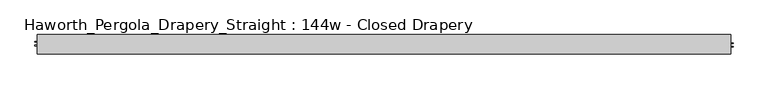
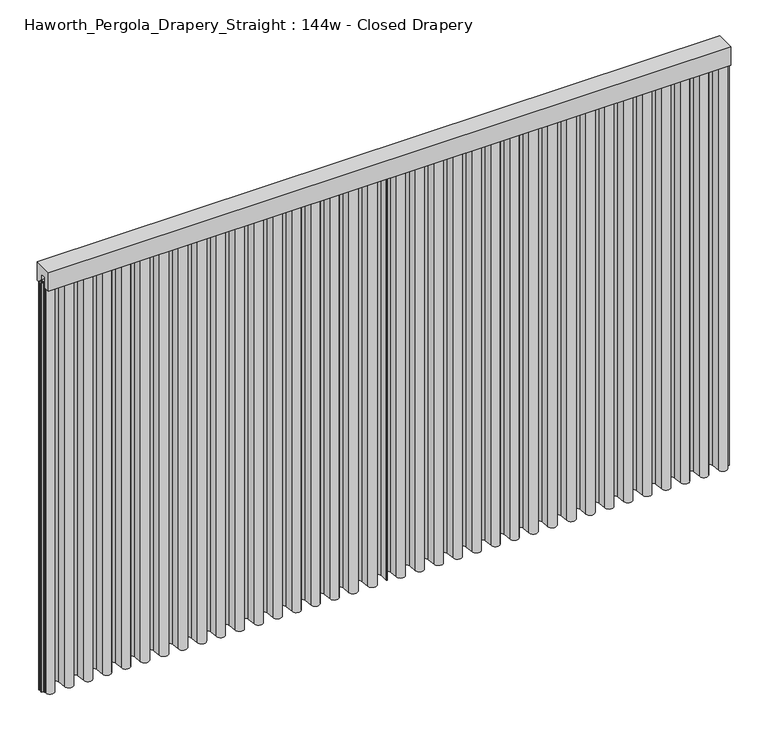
"""IFC4 building model written with IfcOpenShell, lengths in millimetres: furniture geometry, Haworth_Pergola_Drapery_Straight : 144w - Closed Drapery."""

from ifc_helpers import new_model, si_unit, point, frame, frame_2d, origin, place, context, project, spatial, polyline, circle_curve, trimmed, segment, composite_curve, outline, extrude, source, transform, mapped, element, save


def haworth_pergola_drapery_straight_144w_closed_drapery_abc659de(model_context):
    return source(origin(), model_context, "Body", "SweptSolid", [
        extrude(outline(polyline([(-50.8, 2438.4), (50.8, 2438.4), (50.8, 2331.8390625), (15.2182948, 2331.8390625), (15.2182948, 2388.7001663), (-15.2182948, 2388.7001663), (-15.2182948, 2331.8390625), (-50.8, 2331.8390625), (-50.8, 2438.4)])), frame((-1790.7, 0.0, 0.0), z_axis=(1.0, 0.0, 0.0), x_axis=(0.0, 1.0, 0.0)), (0.0, 0.0, 1.0), 3657.6),
        extrude(outline(composite_curve([segment(polyline([(-1788.7, -20.9840165), (-1788.7, 25.4000008), (-1787.90625, 25.4000008), (-1787.90625, -20.9840165)]), True, "CONTINUOUS"), segment(trimmed(circle_curve(frame_2d((-1765.2970217, -20.9840165)), 22.6092283), [point((-1787.90625, -20.9840165))], [point((-1742.779759, -23.0211916))], True, "CARTESIAN"), True, "CONTINUOUS"), segment(polyline([(-1742.779759, -23.0211916), (-1738.5801015, 23.3983779)]), True, "CONTINUOUS"), segment(trimmed(circle_curve(frame_2d((-1714.5, 21.2198101)), 24.17845), [point((-1738.5801015, 23.3983779))], [point((-1690.4198983, 23.3983756))], False, "CARTESIAN"), True, "CONTINUOUS"), segment(polyline([(-1690.4198983, 23.3983756), (-1686.2298605, -22.9149155)]), True, "CONTINUOUS"), segment(trimmed(circle_curve(frame_2d((-1663.7000023, -20.876603)), 22.621875), [point((-1686.2298605, -22.9149155))], [point((-1641.1701443, -22.9149177))], True, "CARTESIAN"), True, "CONTINUOUS"), segment(polyline([(-1641.1701443, -22.9149177), (-1637.0109007, 23.0579488)]), True, "CONTINUOUS"), segment(trimmed(circle_curve(frame_2d((-1612.9, 20.8765946)), 24.209375), [point((-1637.0109007, 23.0579488))], [point((-1588.7890991, 23.0579465))], False, "CARTESIAN"), True, "CONTINUOUS"), segment(polyline([(-1588.7890991, 23.0579465), (-1584.6298605, -22.9149157)]), True, "CONTINUOUS"), segment(trimmed(circle_curve(frame_2d((-1562.1000023, -20.8766032)), 22.621875), [point((-1584.6298605, -22.9149157))], [point((-1539.5701443, -22.9149178))], True, "CARTESIAN"), True, "CONTINUOUS"), segment(polyline([(-1539.5701443, -22.9149178), (-1535.4109007, 23.0579492)]), True, "CONTINUOUS"), segment(trimmed(circle_curve(frame_2d((-1511.3, 20.876595)), 24.209375), [point((-1535.4109007, 23.0579492))], [point((-1487.1890991, 23.0579469))], False, "CARTESIAN"), True, "CONTINUOUS"), segment(polyline([(-1487.1890991, 23.0579469), (-1483.0298605, -22.9149155)]), True, "CONTINUOUS"), segment(trimmed(circle_curve(frame_2d((-1460.5000023, -20.876603)), 22.621875), [point((-1483.0298605, -22.9149155))], [point((-1437.9701443, -22.9149177))], True, "CARTESIAN"), True, "CONTINUOUS"), segment(polyline([(-1437.9701443, -22.9149177), (-1433.7801015, 23.3983779)]), True, "CONTINUOUS"), segment(trimmed(circle_curve(frame_2d((-1409.7, 21.2198101)), 24.17845), [point((-1433.7801015, 23.3983779))], [point((-1385.6198983, 23.3983756))], False, "CARTESIAN"), True, "CONTINUOUS"), segment(polyline([(-1385.6198983, 23.3983756), (-1381.4298605, -22.9149155)]), True, "CONTINUOUS"), segment(trimmed(circle_curve(frame_2d((-1358.9000023, -20.876603)), 22.621875), [point((-1381.4298605, -22.9149155))], [point((-1336.3701443, -22.9149177))], True, "CARTESIAN"), True, "CONTINUOUS"), segment(polyline([(-1336.3701443, -22.9149177), (-1332.1801015, 23.3983779)]), True, "CONTINUOUS"), segment(trimmed(circle_curve(frame_2d((-1308.1, 21.2198101)), 24.17845), [point((-1332.1801015, 23.3983779))], [point((-1284.0198983, 23.3983756))], False, "CARTESIAN"), True, "CONTINUOUS"), segment(polyline([(-1284.0198983, 23.3983756), (-1279.8298605, -22.9149155)]), True, "CONTINUOUS"), segment(trimmed(circle_curve(frame_2d((-1257.3000023, -20.876603)), 22.621875), [point((-1279.8298605, -22.9149155))], [point((-1234.7701443, -22.9149177))], True, "CARTESIAN"), True, "CONTINUOUS"), segment(polyline([(-1234.7701443, -22.9149177), (-1230.5801015, 23.3983779)]), True, "CONTINUOUS"), segment(trimmed(circle_curve(frame_2d((-1206.5, 21.2198101)), 24.17845), [point((-1230.5801015, 23.3983779))], [point((-1182.4198983, 23.3983756))], False, "CARTESIAN"), True, "CONTINUOUS"), segment(polyline([(-1182.4198983, 23.3983756), (-1178.2298605, -22.9149155)]), True, "CONTINUOUS"), segment(trimmed(circle_curve(frame_2d((-1155.7000023, -20.876603)), 22.621875), [point((-1178.2298605, -22.9149155))], [point((-1133.1701443, -22.9149177))], True, "CARTESIAN"), True, "CONTINUOUS"), segment(polyline([(-1133.1701443, -22.9149177), (-1128.9801015, 23.3983779)]), True, "CONTINUOUS"), segment(trimmed(circle_curve(frame_2d((-1104.9, 21.2198101)), 24.17845), [point((-1128.9801015, 23.3983779))], [point((-1080.8198983, 23.3983756))], False, "CARTESIAN"), True, "CONTINUOUS"), segment(polyline([(-1080.8198983, 23.3983756), (-1076.6298605, -22.9149155)]), True, "CONTINUOUS"), segment(trimmed(circle_curve(frame_2d((-1054.1000023, -20.876603)), 22.621875), [point((-1076.6298605, -22.9149155))], [point((-1031.5701443, -22.9149177))], True, "CARTESIAN"), True, "CONTINUOUS"), segment(polyline([(-1031.5701443, -22.9149177), (-1027.3801015, 23.3983779)]), True, "CONTINUOUS"), segment(trimmed(circle_curve(frame_2d((-1003.3, 21.2198101)), 24.17845), [point((-1027.3801015, 23.3983779))], [point((-979.2198983, 23.3983756))], False, "CARTESIAN"), True, "CONTINUOUS"), segment(polyline([(-979.2198983, 23.3983756), (-975.0298605, -22.9149155)]), True, "CONTINUOUS"), segment(trimmed(circle_curve(frame_2d((-952.5000023, -20.876603)), 22.621875), [point((-975.0298605, -22.9149155))], [point((-929.9701443, -22.9149177))], True, "CARTESIAN"), True, "CONTINUOUS"), segment(polyline([(-929.9701443, -22.9149177), (-925.7801015, 23.3983779)]), True, "CONTINUOUS"), segment(trimmed(circle_curve(frame_2d((-901.7, 21.2198101)), 24.17845), [point((-925.7801015, 23.3983779))], [point((-877.6198983, 23.3983756))], False, "CARTESIAN"), True, "CONTINUOUS"), segment(polyline([(-877.6198983, 23.3983756), (-873.4298605, -22.9149155)]), True, "CONTINUOUS"), segment(trimmed(circle_curve(frame_2d((-850.9000023, -20.876603)), 22.621875), [point((-873.4298605, -22.9149155))], [point((-828.3701443, -22.9149177))], True, "CARTESIAN"), True, "CONTINUOUS"), segment(polyline([(-828.3701443, -22.9149177), (-824.1801015, 23.3983779)]), True, "CONTINUOUS"), segment(trimmed(circle_curve(frame_2d((-800.1, 21.2198101)), 24.17845), [point((-824.1801015, 23.3983779))], [point((-776.0198983, 23.3983756))], False, "CARTESIAN"), True, "CONTINUOUS"), segment(polyline([(-776.0198983, 23.3983756), (-771.8298605, -22.9149155)]), True, "CONTINUOUS"), segment(trimmed(circle_curve(frame_2d((-749.3000023, -20.876603)), 22.621875), [point((-771.8298605, -22.9149155))], [point((-726.7701443, -22.9149177))], True, "CARTESIAN"), True, "CONTINUOUS"), segment(polyline([(-726.7701443, -22.9149177), (-722.5801015, 23.3983779)]), True, "CONTINUOUS"), segment(trimmed(circle_curve(frame_2d((-698.5, 21.2198101)), 24.17845), [point((-722.5801015, 23.3983779))], [point((-674.4198983, 23.3983756))], False, "CARTESIAN"), True, "CONTINUOUS"), segment(polyline([(-674.4198983, 23.3983756), (-670.2298605, -22.9149155)]), True, "CONTINUOUS"), segment(trimmed(circle_curve(frame_2d((-647.7000023, -20.876603)), 22.621875), [point((-670.2298605, -22.9149155))], [point((-625.1701443, -22.9149177))], True, "CARTESIAN"), True, "CONTINUOUS"), segment(polyline([(-625.1701443, -22.9149177), (-620.9801015, 23.3983779)]), True, "CONTINUOUS"), segment(trimmed(circle_curve(frame_2d((-596.9, 21.2198101)), 24.17845), [point((-620.9801015, 23.3983779))], [point((-572.8198983, 23.3983756))], False, "CARTESIAN"), True, "CONTINUOUS"), segment(polyline([(-572.8198983, 23.3983756), (-568.6298605, -22.9149155)]), True, "CONTINUOUS"), segment(trimmed(circle_curve(frame_2d((-546.1000023, -20.876603)), 22.621875), [point((-568.6298605, -22.9149155))], [point((-523.5701443, -22.9149177))], True, "CARTESIAN"), True, "CONTINUOUS"), segment(polyline([(-523.5701443, -22.9149177), (-519.3801015, 23.3983779)]), True, "CONTINUOUS"), segment(trimmed(circle_curve(frame_2d((-495.3, 21.2198101)), 24.17845), [point((-519.3801015, 23.3983779))], [point((-471.2198983, 23.3983756))], False, "CARTESIAN"), True, "CONTINUOUS"), segment(polyline([(-471.2198983, 23.3983756), (-467.0298605, -22.9149155)]), True, "CONTINUOUS"), segment(trimmed(circle_curve(frame_2d((-444.5000023, -20.876603)), 22.621875), [point((-467.0298605, -22.9149155))], [point((-421.9701443, -22.9149177))], True, "CARTESIAN"), True, "CONTINUOUS"), segment(polyline([(-421.9701443, -22.9149177), (-417.7801015, 23.3983779)]), True, "CONTINUOUS"), segment(trimmed(circle_curve(frame_2d((-393.7, 21.2198101)), 24.17845), [point((-417.7801015, 23.3983779))], [point((-369.6198983, 23.3983756))], False, "CARTESIAN"), True, "CONTINUOUS"), segment(polyline([(-369.6198983, 23.3983756), (-365.4298605, -22.9149155)]), True, "CONTINUOUS"), segment(trimmed(circle_curve(frame_2d((-342.9000023, -20.876603)), 22.621875), [point((-365.4298605, -22.9149155))], [point((-320.3701443, -22.9149177))], True, "CARTESIAN"), True, "CONTINUOUS"), segment(polyline([(-320.3701443, -22.9149177), (-316.1801015, 23.3983779)]), True, "CONTINUOUS"), segment(trimmed(circle_curve(frame_2d((-292.1, 21.2198101)), 24.17845), [point((-316.1801015, 23.3983779))], [point((-268.0198983, 23.3983756))], False, "CARTESIAN"), True, "CONTINUOUS"), segment(polyline([(-268.0198983, 23.3983756), (-263.8298605, -22.9149155)]), True, "CONTINUOUS"), segment(trimmed(circle_curve(frame_2d((-241.3000023, -20.876603)), 22.621875), [point((-263.8298605, -22.9149155))], [point((-218.7701443, -22.9149177))], True, "CARTESIAN"), True, "CONTINUOUS"), segment(polyline([(-218.7701443, -22.9149177), (-214.5801015, 23.3983779)]), True, "CONTINUOUS"), segment(trimmed(circle_curve(frame_2d((-190.5, 21.2198101)), 24.17845), [point((-214.5801015, 23.3983779))], [point((-166.4198983, 23.3983756))], False, "CARTESIAN"), True, "CONTINUOUS"), segment(polyline([(-166.4198983, 23.3983756), (-162.2298605, -22.9149155)]), True, "CONTINUOUS"), segment(trimmed(circle_curve(frame_2d((-139.7000023, -20.876603)), 22.621875), [point((-162.2298605, -22.9149155))], [point((-117.1701443, -22.9149177))], True, "CARTESIAN"), True, "CONTINUOUS"), segment(polyline([(-117.1701443, -22.9149177), (-112.9801015, 23.3983779)]), True, "CONTINUOUS"), segment(trimmed(circle_curve(frame_2d((-88.9, 21.2198101)), 24.17845), [point((-112.9801015, 23.3983779))], [point((-64.8198983, 23.3983756))], False, "CARTESIAN"), True, "CONTINUOUS"), segment(polyline([(-64.8198983, 23.3983756), (-60.6331594, -22.8784515)]), True, "CONTINUOUS"), segment(trimmed(circle_curve(frame_2d((-38.0999971, -20.8398401)), 22.6251926), [point((-60.6331594, -22.8784515))], [point((-15.566832, -22.8784208))], True, "CARTESIAN"), True, "CONTINUOUS"), segment(polyline([(-15.566832, -22.8784208), (-11.3802755, 23.397093)]), True, "CONTINUOUS"), segment(trimmed(circle_curve(frame_2d((12.6600353, 21.2221604)), 24.1384937), [point((-11.3802755, 23.397093))], [point((36.7985291, 21.2221604))], False, "CARTESIAN"), True, "CONTINUOUS"), segment(polyline([(36.7985291, 21.2221604), (36.7985291, -25.4000007), (36.0047791, -25.4000007), (36.0047791, 21.2221604)]), True, "CONTINUOUS"), segment(trimmed(circle_curve(frame_2d((12.6600353, 21.2221604)), 23.3447437), [point((36.0047791, 21.2221604))], [point((-10.5897541, 23.3255743))], True, "CARTESIAN"), True, "CONTINUOUS"), segment(polyline([(-10.5897541, 23.3255743), (-14.7763106, -22.9499394)]), True, "CONTINUOUS"), segment(trimmed(circle_curve(frame_2d((-38.0999971, -20.8398401)), 23.4189426), [point((-14.7763106, -22.9499394))], [point((-61.4236808, -22.9499712))], False, "CARTESIAN"), True, "CONTINUOUS"), segment(polyline([(-61.4236808, -22.9499712), (-65.6104196, 23.3268558)]), True, "CONTINUOUS"), segment(trimmed(circle_curve(frame_2d((-88.9, 21.2198101)), 23.3847), [point((-65.6104196, 23.3268558))], [point((-112.1895802, 23.3268581))], True, "CARTESIAN"), True, "CONTINUOUS"), segment(polyline([(-112.1895802, 23.3268581), (-116.3796229, -22.9864375)]), True, "CONTINUOUS"), segment(trimmed(circle_curve(frame_2d((-139.7000023, -20.876603)), 23.415625), [point((-116.3796229, -22.9864375))], [point((-163.0203818, -22.9864352))], False, "CARTESIAN"), True, "CONTINUOUS"), segment(polyline([(-163.0203818, -22.9864352), (-167.2104196, 23.3268558)]), True, "CONTINUOUS"), segment(trimmed(circle_curve(frame_2d((-190.5, 21.2198101)), 23.3847), [point((-167.2104196, 23.3268558))], [point((-213.7895802, 23.3268581))], True, "CARTESIAN"), True, "CONTINUOUS"), segment(polyline([(-213.7895802, 23.3268581), (-217.9796229, -22.9864375)]), True, "CONTINUOUS"), segment(trimmed(circle_curve(frame_2d((-241.3000023, -20.876603)), 23.415625), [point((-217.9796229, -22.9864375))], [point((-264.6203818, -22.9864352))], False, "CARTESIAN"), True, "CONTINUOUS"), segment(polyline([(-264.6203818, -22.9864352), (-268.8104196, 23.3268558)]), True, "CONTINUOUS"), segment(trimmed(circle_curve(frame_2d((-292.1, 21.2198101)), 23.3847), [point((-268.8104196, 23.3268558))], [point((-315.3895802, 23.3268581))], True, "CARTESIAN"), True, "CONTINUOUS"), segment(polyline([(-315.3895802, 23.3268581), (-319.5796229, -22.9864375)]), True, "CONTINUOUS"), segment(trimmed(circle_curve(frame_2d((-342.9000023, -20.876603)), 23.415625), [point((-319.5796229, -22.9864375))], [point((-366.2203818, -22.9864352))], False, "CARTESIAN"), True, "CONTINUOUS"), segment(polyline([(-366.2203818, -22.9864352), (-370.4104196, 23.3268558)]), True, "CONTINUOUS"), segment(trimmed(circle_curve(frame_2d((-393.7, 21.2198101)), 23.3847), [point((-370.4104196, 23.3268558))], [point((-416.9895802, 23.3268581))], True, "CARTESIAN"), True, "CONTINUOUS"), segment(polyline([(-416.9895802, 23.3268581), (-421.1796229, -22.9864375)]), True, "CONTINUOUS"), segment(trimmed(circle_curve(frame_2d((-444.5000023, -20.876603)), 23.415625), [point((-421.1796229, -22.9864375))], [point((-467.8203818, -22.9864352))], False, "CARTESIAN"), True, "CONTINUOUS"), segment(polyline([(-467.8203818, -22.9864352), (-472.0104196, 23.3268558)]), True, "CONTINUOUS"), segment(trimmed(circle_curve(frame_2d((-495.3, 21.2198101)), 23.3847), [point((-472.0104196, 23.3268558))], [point((-518.5895802, 23.3268581))], True, "CARTESIAN"), True, "CONTINUOUS"), segment(polyline([(-518.5895802, 23.3268581), (-522.7796229, -22.9864375)]), True, "CONTINUOUS"), segment(trimmed(circle_curve(frame_2d((-546.1000023, -20.876603)), 23.415625), [point((-522.7796229, -22.9864375))], [point((-569.4203818, -22.9864352))], False, "CARTESIAN"), True, "CONTINUOUS"), segment(polyline([(-569.4203818, -22.9864352), (-573.6104196, 23.3268558)]), True, "CONTINUOUS"), segment(trimmed(circle_curve(frame_2d((-596.9, 21.2198101)), 23.3847), [point((-573.6104196, 23.3268558))], [point((-620.1895802, 23.3268581))], True, "CARTESIAN"), True, "CONTINUOUS"), segment(polyline([(-620.1895802, 23.3268581), (-624.3796229, -22.9864375)]), True, "CONTINUOUS"), segment(trimmed(circle_curve(frame_2d((-647.7000023, -20.876603)), 23.415625), [point((-624.3796229, -22.9864375))], [point((-671.0203818, -22.9864352))], False, "CARTESIAN"), True, "CONTINUOUS"), segment(polyline([(-671.0203818, -22.9864352), (-675.2104196, 23.3268558)]), True, "CONTINUOUS"), segment(trimmed(circle_curve(frame_2d((-698.5, 21.2198101)), 23.3847), [point((-675.2104196, 23.3268558))], [point((-721.7895802, 23.3268581))], True, "CARTESIAN"), True, "CONTINUOUS"), segment(polyline([(-721.7895802, 23.3268581), (-725.9796229, -22.9864375)]), True, "CONTINUOUS"), segment(trimmed(circle_curve(frame_2d((-749.3000023, -20.876603)), 23.415625), [point((-725.9796229, -22.9864375))], [point((-772.6203818, -22.9864352))], False, "CARTESIAN"), True, "CONTINUOUS"), segment(polyline([(-772.6203818, -22.9864352), (-776.8104196, 23.3268558)]), True, "CONTINUOUS"), segment(trimmed(circle_curve(frame_2d((-800.1, 21.2198101)), 23.3847), [point((-776.8104196, 23.3268558))], [point((-823.3895802, 23.3268581))], True, "CARTESIAN"), True, "CONTINUOUS"), segment(polyline([(-823.3895802, 23.3268581), (-827.5796229, -22.9864375)]), True, "CONTINUOUS"), segment(trimmed(circle_curve(frame_2d((-850.9000023, -20.876603)), 23.415625), [point((-827.5796229, -22.9864375))], [point((-874.2203818, -22.9864352))], False, "CARTESIAN"), True, "CONTINUOUS"), segment(polyline([(-874.2203818, -22.9864352), (-878.4104196, 23.3268558)]), True, "CONTINUOUS"), segment(trimmed(circle_curve(frame_2d((-901.7, 21.2198101)), 23.3847), [point((-878.4104196, 23.3268558))], [point((-924.9895802, 23.3268581))], True, "CARTESIAN"), True, "CONTINUOUS"), segment(polyline([(-924.9895802, 23.3268581), (-929.1796229, -22.9864375)]), True, "CONTINUOUS"), segment(trimmed(circle_curve(frame_2d((-952.5000023, -20.876603)), 23.415625), [point((-929.1796229, -22.9864375))], [point((-975.8203818, -22.9864352))], False, "CARTESIAN"), True, "CONTINUOUS"), segment(polyline([(-975.8203818, -22.9864352), (-980.0104196, 23.3268558)]), True, "CONTINUOUS"), segment(trimmed(circle_curve(frame_2d((-1003.3, 21.2198101)), 23.3847), [point((-980.0104196, 23.3268558))], [point((-1026.5895802, 23.3268581))], True, "CARTESIAN"), True, "CONTINUOUS"), segment(polyline([(-1026.5895802, 23.3268581), (-1030.7796229, -22.9864375)]), True, "CONTINUOUS"), segment(trimmed(circle_curve(frame_2d((-1054.1000023, -20.876603)), 23.415625), [point((-1030.7796229, -22.9864375))], [point((-1077.4203818, -22.9864352))], False, "CARTESIAN"), True, "CONTINUOUS"), segment(polyline([(-1077.4203818, -22.9864352), (-1081.6104196, 23.3268558)]), True, "CONTINUOUS"), segment(trimmed(circle_curve(frame_2d((-1104.9, 21.2198101)), 23.3847), [point((-1081.6104196, 23.3268558))], [point((-1128.1895802, 23.3268581))], True, "CARTESIAN"), True, "CONTINUOUS"), segment(polyline([(-1128.1895802, 23.3268581), (-1132.3796229, -22.9864375)]), True, "CONTINUOUS"), segment(trimmed(circle_curve(frame_2d((-1155.7000023, -20.876603)), 23.415625), [point((-1132.3796229, -22.9864375))], [point((-1179.0203818, -22.9864352))], False, "CARTESIAN"), True, "CONTINUOUS"), segment(polyline([(-1179.0203818, -22.9864352), (-1183.2104196, 23.3268558)]), True, "CONTINUOUS"), segment(trimmed(circle_curve(frame_2d((-1206.5, 21.2198101)), 23.3847), [point((-1183.2104196, 23.3268558))], [point((-1229.7895802, 23.3268581))], True, "CARTESIAN"), True, "CONTINUOUS"), segment(polyline([(-1229.7895802, 23.3268581), (-1233.9796229, -22.9864375)]), True, "CONTINUOUS"), segment(trimmed(circle_curve(frame_2d((-1257.3000023, -20.876603)), 23.415625), [point((-1233.9796229, -22.9864375))], [point((-1280.6203818, -22.9864352))], False, "CARTESIAN"), True, "CONTINUOUS"), segment(polyline([(-1280.6203818, -22.9864352), (-1284.8104196, 23.3268558)]), True, "CONTINUOUS"), segment(trimmed(circle_curve(frame_2d((-1308.1, 21.2198101)), 23.3847), [point((-1284.8104196, 23.3268558))], [point((-1331.3895802, 23.3268581))], True, "CARTESIAN"), True, "CONTINUOUS"), segment(polyline([(-1331.3895802, 23.3268581), (-1335.5796229, -22.9864375)]), True, "CONTINUOUS"), segment(trimmed(circle_curve(frame_2d((-1358.9000023, -20.876603)), 23.415625), [point((-1335.5796229, -22.9864375))], [point((-1382.2203818, -22.9864352))], False, "CARTESIAN"), True, "CONTINUOUS"), segment(polyline([(-1382.2203818, -22.9864352), (-1386.4104196, 23.3268558)]), True, "CONTINUOUS"), segment(trimmed(circle_curve(frame_2d((-1409.7, 21.2198101)), 23.3847), [point((-1386.4104196, 23.3268558))], [point((-1432.9895802, 23.3268581))], True, "CARTESIAN"), True, "CONTINUOUS"), segment(polyline([(-1432.9895802, 23.3268581), (-1437.1796229, -22.9864375)]), True, "CONTINUOUS"), segment(trimmed(circle_curve(frame_2d((-1460.5000023, -20.876603)), 23.415625), [point((-1437.1796229, -22.9864375))], [point((-1483.8203818, -22.9864352))], False, "CARTESIAN"), True, "CONTINUOUS"), segment(polyline([(-1483.8203818, -22.9864352), (-1487.9796205, 22.9864271)]), True, "CONTINUOUS"), segment(trimmed(circle_curve(frame_2d((-1511.3, 20.876595)), 23.415625), [point((-1487.9796205, 22.9864271))], [point((-1534.6203794, 22.9864294))], True, "CARTESIAN"), True, "CONTINUOUS"), segment(polyline([(-1534.6203794, 22.9864294), (-1538.7796229, -22.9864377)]), True, "CONTINUOUS"), segment(trimmed(circle_curve(frame_2d((-1562.1000023, -20.8766032)), 23.415625), [point((-1538.7796229, -22.9864377))], [point((-1585.4203818, -22.9864354))], False, "CARTESIAN"), True, "CONTINUOUS"), segment(polyline([(-1585.4203818, -22.9864354), (-1589.5796205, 22.9864268)]), True, "CONTINUOUS"), segment(trimmed(circle_curve(frame_2d((-1612.9, 20.8765946)), 23.415625), [point((-1589.5796205, 22.9864268))], [point((-1636.2203794, 22.986429))], True, "CARTESIAN"), True, "CONTINUOUS"), segment(polyline([(-1636.2203794, 22.986429), (-1640.3796229, -22.9864375)]), True, "CONTINUOUS"), segment(trimmed(circle_curve(frame_2d((-1663.7000023, -20.876603)), 23.415625), [point((-1640.3796229, -22.9864375))], [point((-1687.0203818, -22.9864352))], False, "CARTESIAN"), True, "CONTINUOUS"), segment(polyline([(-1687.0203818, -22.9864352), (-1691.2104196, 23.3268558)]), True, "CONTINUOUS"), segment(trimmed(circle_curve(frame_2d((-1714.5, 21.2198101)), 23.3847), [point((-1691.2104196, 23.3268558))], [point((-1737.7895802, 23.3268581))], True, "CARTESIAN"), True, "CONTINUOUS"), segment(polyline([(-1737.7895802, 23.3268581), (-1741.9892377, -23.0927114)]), True, "CONTINUOUS"), segment(trimmed(circle_curve(frame_2d((-1765.2970217, -20.9840165)), 23.4029783), [point((-1741.9892377, -23.0927114))], [point((-1788.7, -20.9840165))], False, "CARTESIAN"), True, "CONTINUOUS")], self_intersect=False)), frame((0.0, 0.0, 38.1), z_axis=(0.0, 0.0, 1.0), x_axis=(1.0, 0.0, 0.0)), (0.0, 0.0, 1.0), 2305.05),
        extrude(outline(composite_curve([segment(trimmed(circle_curve(frame_2d((1841.4970217, -20.9840165)), 23.4029783), [point((1864.9, -20.9840165))], [point((1818.1892377, -23.0927114))], False, "CARTESIAN"), True, "CONTINUOUS"), segment(polyline([(1818.1892377, -23.0927114), (1813.9895802, 23.3268581)]), True, "CONTINUOUS"), segment(trimmed(circle_curve(frame_2d((1790.7, 21.2198101)), 23.3847), [point((1813.9895802, 23.3268581))], [point((1767.4104196, 23.3268558))], True, "CARTESIAN"), True, "CONTINUOUS"), segment(polyline([(1767.4104196, 23.3268558), (1763.2203818, -22.9864352)]), True, "CONTINUOUS"), segment(trimmed(circle_curve(frame_2d((1739.9000023, -20.876603)), 23.415625), [point((1763.2203818, -22.9864352))], [point((1716.5796229, -22.9864375))], False, "CARTESIAN"), True, "CONTINUOUS"), segment(polyline([(1716.5796229, -22.9864375), (1712.4203794, 22.986429)]), True, "CONTINUOUS"), segment(trimmed(circle_curve(frame_2d((1689.1, 20.8765946)), 23.415625), [point((1712.4203794, 22.986429))], [point((1665.7796205, 22.9864268))], True, "CARTESIAN"), True, "CONTINUOUS"), segment(polyline([(1665.7796205, 22.9864268), (1661.6203818, -22.9864354)]), True, "CONTINUOUS"), segment(trimmed(circle_curve(frame_2d((1638.3000023, -20.8766032)), 23.415625), [point((1661.6203818, -22.9864354))], [point((1614.9796229, -22.9864377))], False, "CARTESIAN"), True, "CONTINUOUS"), segment(polyline([(1614.9796229, -22.9864377), (1610.8203794, 22.9864294)]), True, "CONTINUOUS"), segment(trimmed(circle_curve(frame_2d((1587.5, 20.876595)), 23.415625), [point((1610.8203794, 22.9864294))], [point((1564.1796205, 22.9864271))], True, "CARTESIAN"), True, "CONTINUOUS"), segment(polyline([(1564.1796205, 22.9864271), (1560.0203818, -22.9864352)]), True, "CONTINUOUS"), segment(trimmed(circle_curve(frame_2d((1536.7000023, -20.876603)), 23.415625), [point((1560.0203818, -22.9864352))], [point((1513.3796229, -22.9864375))], False, "CARTESIAN"), True, "CONTINUOUS"), segment(polyline([(1513.3796229, -22.9864375), (1509.1895802, 23.3268581)]), True, "CONTINUOUS"), segment(trimmed(circle_curve(frame_2d((1485.9, 21.2198101)), 23.3847), [point((1509.1895802, 23.3268581))], [point((1462.6104196, 23.3268558))], True, "CARTESIAN"), True, "CONTINUOUS"), segment(polyline([(1462.6104196, 23.3268558), (1458.4203818, -22.9864352)]), True, "CONTINUOUS"), segment(trimmed(circle_curve(frame_2d((1435.1000023, -20.876603)), 23.415625), [point((1458.4203818, -22.9864352))], [point((1411.7796229, -22.9864375))], False, "CARTESIAN"), True, "CONTINUOUS"), segment(polyline([(1411.7796229, -22.9864375), (1407.5895802, 23.3268581)]), True, "CONTINUOUS"), segment(trimmed(circle_curve(frame_2d((1384.3, 21.2198101)), 23.3847), [point((1407.5895802, 23.3268581))], [point((1361.0104196, 23.3268558))], True, "CARTESIAN"), True, "CONTINUOUS"), segment(polyline([(1361.0104196, 23.3268558), (1356.8203818, -22.9864352)]), True, "CONTINUOUS"), segment(trimmed(circle_curve(frame_2d((1333.5000023, -20.876603)), 23.415625), [point((1356.8203818, -22.9864352))], [point((1310.1796229, -22.9864375))], False, "CARTESIAN"), True, "CONTINUOUS"), segment(polyline([(1310.1796229, -22.9864375), (1305.9895802, 23.3268581)]), True, "CONTINUOUS"), segment(trimmed(circle_curve(frame_2d((1282.7, 21.2198101)), 23.3847), [point((1305.9895802, 23.3268581))], [point((1259.4104196, 23.3268558))], True, "CARTESIAN"), True, "CONTINUOUS"), segment(polyline([(1259.4104196, 23.3268558), (1255.2203818, -22.9864352)]), True, "CONTINUOUS"), segment(trimmed(circle_curve(frame_2d((1231.9000023, -20.876603)), 23.415625), [point((1255.2203818, -22.9864352))], [point((1208.5796229, -22.9864375))], False, "CARTESIAN"), True, "CONTINUOUS"), segment(polyline([(1208.5796229, -22.9864375), (1204.3895802, 23.3268581)]), True, "CONTINUOUS"), segment(trimmed(circle_curve(frame_2d((1181.1, 21.2198101)), 23.3847), [point((1204.3895802, 23.3268581))], [point((1157.8104196, 23.3268558))], True, "CARTESIAN"), True, "CONTINUOUS"), segment(polyline([(1157.8104196, 23.3268558), (1153.6203818, -22.9864352)]), True, "CONTINUOUS"), segment(trimmed(circle_curve(frame_2d((1130.3000023, -20.876603)), 23.415625), [point((1153.6203818, -22.9864352))], [point((1106.9796229, -22.9864375))], False, "CARTESIAN"), True, "CONTINUOUS"), segment(polyline([(1106.9796229, -22.9864375), (1102.7895802, 23.3268581)]), True, "CONTINUOUS"), segment(trimmed(circle_curve(frame_2d((1079.5, 21.2198101)), 23.3847), [point((1102.7895802, 23.3268581))], [point((1056.2104196, 23.3268558))], True, "CARTESIAN"), True, "CONTINUOUS"), segment(polyline([(1056.2104196, 23.3268558), (1052.0203818, -22.9864352)]), True, "CONTINUOUS"), segment(trimmed(circle_curve(frame_2d((1028.7000023, -20.876603)), 23.415625), [point((1052.0203818, -22.9864352))], [point((1005.3796229, -22.9864375))], False, "CARTESIAN"), True, "CONTINUOUS"), segment(polyline([(1005.3796229, -22.9864375), (1001.1895802, 23.3268581)]), True, "CONTINUOUS"), segment(trimmed(circle_curve(frame_2d((977.9, 21.2198101)), 23.3847), [point((1001.1895802, 23.3268581))], [point((954.6104196, 23.3268558))], True, "CARTESIAN"), True, "CONTINUOUS"), segment(polyline([(954.6104196, 23.3268558), (950.4203818, -22.9864352)]), True, "CONTINUOUS"), segment(trimmed(circle_curve(frame_2d((927.1000023, -20.876603)), 23.415625), [point((950.4203818, -22.9864352))], [point((903.7796229, -22.9864375))], False, "CARTESIAN"), True, "CONTINUOUS"), segment(polyline([(903.7796229, -22.9864375), (899.5895802, 23.3268581)]), True, "CONTINUOUS"), segment(trimmed(circle_curve(frame_2d((876.3, 21.2198101)), 23.3847), [point((899.5895802, 23.3268581))], [point((853.0104196, 23.3268558))], True, "CARTESIAN"), True, "CONTINUOUS"), segment(polyline([(853.0104196, 23.3268558), (848.8203818, -22.9864352)]), True, "CONTINUOUS"), segment(trimmed(circle_curve(frame_2d((825.5000023, -20.876603)), 23.415625), [point((848.8203818, -22.9864352))], [point((802.1796229, -22.9864375))], False, "CARTESIAN"), True, "CONTINUOUS"), segment(polyline([(802.1796229, -22.9864375), (797.9895802, 23.3268581)]), True, "CONTINUOUS"), segment(trimmed(circle_curve(frame_2d((774.7, 21.2198101)), 23.3847), [point((797.9895802, 23.3268581))], [point((751.4104196, 23.3268558))], True, "CARTESIAN"), True, "CONTINUOUS"), segment(polyline([(751.4104196, 23.3268558), (747.2203818, -22.9864352)]), True, "CONTINUOUS"), segment(trimmed(circle_curve(frame_2d((723.9000023, -20.876603)), 23.415625), [point((747.2203818, -22.9864352))], [point((700.5796229, -22.9864375))], False, "CARTESIAN"), True, "CONTINUOUS"), segment(polyline([(700.5796229, -22.9864375), (696.3895802, 23.3268581)]), True, "CONTINUOUS"), segment(trimmed(circle_curve(frame_2d((673.1, 21.2198101)), 23.3847), [point((696.3895802, 23.3268581))], [point((649.8104196, 23.3268558))], True, "CARTESIAN"), True, "CONTINUOUS"), segment(polyline([(649.8104196, 23.3268558), (645.6203818, -22.9864352)]), True, "CONTINUOUS"), segment(trimmed(circle_curve(frame_2d((622.3000023, -20.876603)), 23.415625), [point((645.6203818, -22.9864352))], [point((598.9796229, -22.9864375))], False, "CARTESIAN"), True, "CONTINUOUS"), segment(polyline([(598.9796229, -22.9864375), (594.7895802, 23.3268581)]), True, "CONTINUOUS"), segment(trimmed(circle_curve(frame_2d((571.5, 21.2198101)), 23.3847), [point((594.7895802, 23.3268581))], [point((548.2104196, 23.3268558))], True, "CARTESIAN"), True, "CONTINUOUS"), segment(polyline([(548.2104196, 23.3268558), (544.0203818, -22.9864352)]), True, "CONTINUOUS"), segment(trimmed(circle_curve(frame_2d((520.7000023, -20.876603)), 23.415625), [point((544.0203818, -22.9864352))], [point((497.3796229, -22.9864375))], False, "CARTESIAN"), True, "CONTINUOUS"), segment(polyline([(497.3796229, -22.9864375), (493.1895802, 23.3268581)]), True, "CONTINUOUS"), segment(trimmed(circle_curve(frame_2d((469.9, 21.2198101)), 23.3847), [point((493.1895802, 23.3268581))], [point((446.6104196, 23.3268558))], True, "CARTESIAN"), True, "CONTINUOUS"), segment(polyline([(446.6104196, 23.3268558), (442.4203818, -22.9864352)]), True, "CONTINUOUS"), segment(trimmed(circle_curve(frame_2d((419.1000023, -20.876603)), 23.415625), [point((442.4203818, -22.9864352))], [point((395.7796229, -22.9864375))], False, "CARTESIAN"), True, "CONTINUOUS"), segment(polyline([(395.7796229, -22.9864375), (391.5895802, 23.3268581)]), True, "CONTINUOUS"), segment(trimmed(circle_curve(frame_2d((368.3, 21.2198101)), 23.3847), [point((391.5895802, 23.3268581))], [point((345.0104196, 23.3268558))], True, "CARTESIAN"), True, "CONTINUOUS"), segment(polyline([(345.0104196, 23.3268558), (340.8203818, -22.9864352)]), True, "CONTINUOUS"), segment(trimmed(circle_curve(frame_2d((317.5000023, -20.876603)), 23.415625), [point((340.8203818, -22.9864352))], [point((294.1796229, -22.9864375))], False, "CARTESIAN"), True, "CONTINUOUS"), segment(polyline([(294.1796229, -22.9864375), (289.9895802, 23.3268581)]), True, "CONTINUOUS"), segment(trimmed(circle_curve(frame_2d((266.7, 21.2198101)), 23.3847), [point((289.9895802, 23.3268581))], [point((243.4104196, 23.3268558))], True, "CARTESIAN"), True, "CONTINUOUS"), segment(polyline([(243.4104196, 23.3268558), (239.2203818, -22.9864352)]), True, "CONTINUOUS"), segment(trimmed(circle_curve(frame_2d((215.9000023, -20.876603)), 23.415625), [point((239.2203818, -22.9864352))], [point((192.5796229, -22.9864375))], False, "CARTESIAN"), True, "CONTINUOUS"), segment(polyline([(192.5796229, -22.9864375), (188.3895802, 23.3268581)]), True, "CONTINUOUS"), segment(trimmed(circle_curve(frame_2d((165.1, 21.2198101)), 23.3847), [point((188.3895802, 23.3268581))], [point((141.8104196, 23.3268558))], True, "CARTESIAN"), True, "CONTINUOUS"), segment(polyline([(141.8104196, 23.3268558), (137.6236808, -22.9499712)]), True, "CONTINUOUS"), segment(trimmed(circle_curve(frame_2d((114.2999971, -20.8398401)), 23.4189426), [point((137.6236808, -22.9499712))], [point((90.9763106, -22.9499394))], False, "CARTESIAN"), True, "CONTINUOUS"), segment(polyline([(90.9763106, -22.9499394), (86.7897541, 23.3255743)]), True, "CONTINUOUS"), segment(trimmed(circle_curve(frame_2d((63.5399647, 21.2221604)), 23.3447437), [point((86.7897541, 23.3255743))], [point((40.1952209, 21.2221604))], True, "CARTESIAN"), True, "CONTINUOUS"), segment(polyline([(40.1952209, 21.2221604), (40.1952209, -25.4000007), (39.4014709, -25.4000007), (39.4014709, 21.2221604)]), True, "CONTINUOUS"), segment(trimmed(circle_curve(frame_2d((63.5399647, 21.2221604)), 24.1384937), [point((39.4014709, 21.2221604))], [point((87.5802755, 23.397093))], False, "CARTESIAN"), True, "CONTINUOUS"), segment(polyline([(87.5802755, 23.397093), (91.766832, -22.8784208)]), True, "CONTINUOUS"), segment(trimmed(circle_curve(frame_2d((114.2999971, -20.8398401)), 22.6251926), [point((91.766832, -22.8784208))], [point((136.8331594, -22.8784515))], True, "CARTESIAN"), True, "CONTINUOUS"), segment(polyline([(136.8331594, -22.8784515), (141.0198983, 23.3983756)]), True, "CONTINUOUS"), segment(trimmed(circle_curve(frame_2d((165.1, 21.2198101)), 24.17845), [point((141.0198983, 23.3983756))], [point((189.1801015, 23.3983779))], False, "CARTESIAN"), True, "CONTINUOUS"), segment(polyline([(189.1801015, 23.3983779), (193.3701443, -22.9149177)]), True, "CONTINUOUS"), segment(trimmed(circle_curve(frame_2d((215.9000023, -20.876603)), 22.621875), [point((193.3701443, -22.9149177))], [point((238.4298605, -22.9149155))], True, "CARTESIAN"), True, "CONTINUOUS"), segment(polyline([(238.4298605, -22.9149155), (242.6198983, 23.3983756)]), True, "CONTINUOUS"), segment(trimmed(circle_curve(frame_2d((266.7, 21.2198101)), 24.17845), [point((242.6198983, 23.3983756))], [point((290.7801015, 23.3983779))], False, "CARTESIAN"), True, "CONTINUOUS"), segment(polyline([(290.7801015, 23.3983779), (294.9701443, -22.9149177)]), True, "CONTINUOUS"), segment(trimmed(circle_curve(frame_2d((317.5000023, -20.876603)), 22.621875), [point((294.9701443, -22.9149177))], [point((340.0298605, -22.9149155))], True, "CARTESIAN"), True, "CONTINUOUS"), segment(polyline([(340.0298605, -22.9149155), (344.2198983, 23.3983756)]), True, "CONTINUOUS"), segment(trimmed(circle_curve(frame_2d((368.3, 21.2198101)), 24.17845), [point((344.2198983, 23.3983756))], [point((392.3801015, 23.3983779))], False, "CARTESIAN"), True, "CONTINUOUS"), segment(polyline([(392.3801015, 23.3983779), (396.5701443, -22.9149177)]), True, "CONTINUOUS"), segment(trimmed(circle_curve(frame_2d((419.1000023, -20.876603)), 22.621875), [point((396.5701443, -22.9149177))], [point((441.6298605, -22.9149155))], True, "CARTESIAN"), True, "CONTINUOUS"), segment(polyline([(441.6298605, -22.9149155), (445.8198983, 23.3983756)]), True, "CONTINUOUS"), segment(trimmed(circle_curve(frame_2d((469.9, 21.2198101)), 24.17845), [point((445.8198983, 23.3983756))], [point((493.9801015, 23.3983779))], False, "CARTESIAN"), True, "CONTINUOUS"), segment(polyline([(493.9801015, 23.3983779), (498.1701443, -22.9149177)]), True, "CONTINUOUS"), segment(trimmed(circle_curve(frame_2d((520.7000023, -20.876603)), 22.621875), [point((498.1701443, -22.9149177))], [point((543.2298605, -22.9149155))], True, "CARTESIAN"), True, "CONTINUOUS"), segment(polyline([(543.2298605, -22.9149155), (547.4198983, 23.3983756)]), True, "CONTINUOUS"), segment(trimmed(circle_curve(frame_2d((571.5, 21.2198101)), 24.17845), [point((547.4198983, 23.3983756))], [point((595.5801015, 23.3983779))], False, "CARTESIAN"), True, "CONTINUOUS"), segment(polyline([(595.5801015, 23.3983779), (599.7701443, -22.9149177)]), True, "CONTINUOUS"), segment(trimmed(circle_curve(frame_2d((622.3000023, -20.876603)), 22.621875), [point((599.7701443, -22.9149177))], [point((644.8298605, -22.9149155))], True, "CARTESIAN"), True, "CONTINUOUS"), segment(polyline([(644.8298605, -22.9149155), (649.0198983, 23.3983756)]), True, "CONTINUOUS"), segment(trimmed(circle_curve(frame_2d((673.1, 21.2198101)), 24.17845), [point((649.0198983, 23.3983756))], [point((697.1801015, 23.3983779))], False, "CARTESIAN"), True, "CONTINUOUS"), segment(polyline([(697.1801015, 23.3983779), (701.3701443, -22.9149177)]), True, "CONTINUOUS"), segment(trimmed(circle_curve(frame_2d((723.9000023, -20.876603)), 22.621875), [point((701.3701443, -22.9149177))], [point((746.4298605, -22.9149155))], True, "CARTESIAN"), True, "CONTINUOUS"), segment(polyline([(746.4298605, -22.9149155), (750.6198983, 23.3983756)]), True, "CONTINUOUS"), segment(trimmed(circle_curve(frame_2d((774.7, 21.2198101)), 24.17845), [point((750.6198983, 23.3983756))], [point((798.7801015, 23.3983779))], False, "CARTESIAN"), True, "CONTINUOUS"), segment(polyline([(798.7801015, 23.3983779), (802.9701443, -22.9149177)]), True, "CONTINUOUS"), segment(trimmed(circle_curve(frame_2d((825.5000023, -20.876603)), 22.621875), [point((802.9701443, -22.9149177))], [point((848.0298605, -22.9149155))], True, "CARTESIAN"), True, "CONTINUOUS"), segment(polyline([(848.0298605, -22.9149155), (852.2198983, 23.3983756)]), True, "CONTINUOUS"), segment(trimmed(circle_curve(frame_2d((876.3, 21.2198101)), 24.17845), [point((852.2198983, 23.3983756))], [point((900.3801015, 23.3983779))], False, "CARTESIAN"), True, "CONTINUOUS"), segment(polyline([(900.3801015, 23.3983779), (904.5701443, -22.9149177)]), True, "CONTINUOUS"), segment(trimmed(circle_curve(frame_2d((927.1000023, -20.876603)), 22.621875), [point((904.5701443, -22.9149177))], [point((949.6298605, -22.9149155))], True, "CARTESIAN"), True, "CONTINUOUS"), segment(polyline([(949.6298605, -22.9149155), (953.8198983, 23.3983756)]), True, "CONTINUOUS"), segment(trimmed(circle_curve(frame_2d((977.9, 21.2198101)), 24.17845), [point((953.8198983, 23.3983756))], [point((1001.9801015, 23.3983779))], False, "CARTESIAN"), True, "CONTINUOUS"), segment(polyline([(1001.9801015, 23.3983779), (1006.1701443, -22.9149177)]), True, "CONTINUOUS"), segment(trimmed(circle_curve(frame_2d((1028.7000023, -20.876603)), 22.621875), [point((1006.1701443, -22.9149177))], [point((1051.2298605, -22.9149155))], True, "CARTESIAN"), True, "CONTINUOUS"), segment(polyline([(1051.2298605, -22.9149155), (1055.4198983, 23.3983756)]), True, "CONTINUOUS"), segment(trimmed(circle_curve(frame_2d((1079.5, 21.2198101)), 24.17845), [point((1055.4198983, 23.3983756))], [point((1103.5801015, 23.3983779))], False, "CARTESIAN"), True, "CONTINUOUS"), segment(polyline([(1103.5801015, 23.3983779), (1107.7701443, -22.9149177)]), True, "CONTINUOUS"), segment(trimmed(circle_curve(frame_2d((1130.3000023, -20.876603)), 22.621875), [point((1107.7701443, -22.9149177))], [point((1152.8298605, -22.9149155))], True, "CARTESIAN"), True, "CONTINUOUS"), segment(polyline([(1152.8298605, -22.9149155), (1157.0198983, 23.3983756)]), True, "CONTINUOUS"), segment(trimmed(circle_curve(frame_2d((1181.1, 21.2198101)), 24.17845), [point((1157.0198983, 23.3983756))], [point((1205.1801015, 23.3983779))], False, "CARTESIAN"), True, "CONTINUOUS"), segment(polyline([(1205.1801015, 23.3983779), (1209.3701443, -22.9149177)]), True, "CONTINUOUS"), segment(trimmed(circle_curve(frame_2d((1231.9000023, -20.876603)), 22.621875), [point((1209.3701443, -22.9149177))], [point((1254.4298605, -22.9149155))], True, "CARTESIAN"), True, "CONTINUOUS"), segment(polyline([(1254.4298605, -22.9149155), (1258.6198983, 23.3983756)]), True, "CONTINUOUS"), segment(trimmed(circle_curve(frame_2d((1282.7, 21.2198101)), 24.17845), [point((1258.6198983, 23.3983756))], [point((1306.7801015, 23.3983779))], False, "CARTESIAN"), True, "CONTINUOUS"), segment(polyline([(1306.7801015, 23.3983779), (1310.9701443, -22.9149177)]), True, "CONTINUOUS"), segment(trimmed(circle_curve(frame_2d((1333.5000023, -20.876603)), 22.621875), [point((1310.9701443, -22.9149177))], [point((1356.0298605, -22.9149155))], True, "CARTESIAN"), True, "CONTINUOUS"), segment(polyline([(1356.0298605, -22.9149155), (1360.2198983, 23.3983756)]), True, "CONTINUOUS"), segment(trimmed(circle_curve(frame_2d((1384.3, 21.2198101)), 24.17845), [point((1360.2198983, 23.3983756))], [point((1408.3801015, 23.3983779))], False, "CARTESIAN"), True, "CONTINUOUS"), segment(polyline([(1408.3801015, 23.3983779), (1412.5701443, -22.9149177)]), True, "CONTINUOUS"), segment(trimmed(circle_curve(frame_2d((1435.1000023, -20.876603)), 22.621875), [point((1412.5701443, -22.9149177))], [point((1457.6298605, -22.9149155))], True, "CARTESIAN"), True, "CONTINUOUS"), segment(polyline([(1457.6298605, -22.9149155), (1461.8198983, 23.3983756)]), True, "CONTINUOUS"), segment(trimmed(circle_curve(frame_2d((1485.9, 21.2198101)), 24.17845), [point((1461.8198983, 23.3983756))], [point((1509.9801015, 23.3983779))], False, "CARTESIAN"), True, "CONTINUOUS"), segment(polyline([(1509.9801015, 23.3983779), (1514.1701443, -22.9149177)]), True, "CONTINUOUS"), segment(trimmed(circle_curve(frame_2d((1536.7000023, -20.876603)), 22.621875), [point((1514.1701443, -22.9149177))], [point((1559.2298605, -22.9149155))], True, "CARTESIAN"), True, "CONTINUOUS"), segment(polyline([(1559.2298605, -22.9149155), (1563.3890991, 23.0579469)]), True, "CONTINUOUS"), segment(trimmed(circle_curve(frame_2d((1587.5, 20.876595)), 24.209375), [point((1563.3890991, 23.0579469))], [point((1611.6109007, 23.0579492))], False, "CARTESIAN"), True, "CONTINUOUS"), segment(polyline([(1611.6109007, 23.0579492), (1615.7701443, -22.9149178)]), True, "CONTINUOUS"), segment(trimmed(circle_curve(frame_2d((1638.3000023, -20.8766032)), 22.621875), [point((1615.7701443, -22.9149178))], [point((1660.8298605, -22.9149157))], True, "CARTESIAN"), True, "CONTINUOUS"), segment(polyline([(1660.8298605, -22.9149157), (1664.9890991, 23.0579465)]), True, "CONTINUOUS"), segment(trimmed(circle_curve(frame_2d((1689.1, 20.8765946)), 24.209375), [point((1664.9890991, 23.0579465))], [point((1713.2109007, 23.0579488))], False, "CARTESIAN"), True, "CONTINUOUS"), segment(polyline([(1713.2109007, 23.0579488), (1717.3701443, -22.9149177)]), True, "CONTINUOUS"), segment(trimmed(circle_curve(frame_2d((1739.9000023, -20.876603)), 22.621875), [point((1717.3701443, -22.9149177))], [point((1762.4298605, -22.9149155))], True, "CARTESIAN"), True, "CONTINUOUS"), segment(polyline([(1762.4298605, -22.9149155), (1766.6198983, 23.3983756)]), True, "CONTINUOUS"), segment(trimmed(circle_curve(frame_2d((1790.7, 21.2198101)), 24.17845), [point((1766.6198983, 23.3983756))], [point((1814.7801015, 23.3983779))], False, "CARTESIAN"), True, "CONTINUOUS"), segment(polyline([(1814.7801015, 23.3983779), (1818.979759, -23.0211916)]), True, "CONTINUOUS"), segment(trimmed(circle_curve(frame_2d((1841.4970217, -20.9840165)), 22.6092283), [point((1818.979759, -23.0211916))], [point((1864.10625, -20.9840165))], True, "CARTESIAN"), True, "CONTINUOUS"), segment(polyline([(1864.10625, -20.9840165), (1864.10625, 25.4000008), (1864.9, 25.4000008), (1864.9, -20.9840165)]), True, "CONTINUOUS")], self_intersect=False)), frame((0.0, 0.0, 38.1), z_axis=(0.0, 0.0, 1.0), x_axis=(1.0, 0.0, 0.0)), (0.0, 0.0, 1.0), 2305.05),
        extrude(outline(polyline([(-1790.7, -15.2249995), (-1790.7, 15.2249996), (1866.9, 15.2249996), (1866.9, -15.2249995), (-1790.7, -15.2249995)])), frame((0.0, 0.0, 2355.85), z_axis=(0.0, 0.0, 1.0), x_axis=(1.0, 0.0, 0.0)), (0.0, 0.0, 1.0), 1.7500385),
        extrude(outline(polyline([(1866.9, -15.2249996), (1866.9, 15.2249995), (1868.6500001, 15.2249995), (1868.6500001, 7.8249998), (1880.2999997, 7.8249998), (1880.2999997, 4.8250001), (1868.6500001, 4.8250001), (1868.6500001, -11.8250005), (1880.1499997, -11.8250005), (1880.1499997, -13.3999997), (1868.6500001, -13.3999997), (1868.6500001, -15.2249996), (1866.9, -15.2249996)])), frame((0.0, 0.0, 38.1), z_axis=(0.0, 0.0, 1.0), x_axis=(1.0, 0.0, 0.0)), (0.0, 0.0, 1.0), 2317.75),
        extrude(outline(polyline([(-1790.7, 15.2249996), (-1790.7, -15.2249995), (-1792.4500001, -15.2249995), (-1792.4500001, -7.8249998), (-1804.0999997, -7.8249998), (-1804.0999997, -4.8250001), (-1792.4500001, -4.8250001), (-1792.4500001, 11.8250005), (-1803.9499997, 11.8250005), (-1803.9499997, 13.3999997), (-1792.4500001, 13.3999997), (-1792.4500001, 15.2249996), (-1790.7, 15.2249996)])), frame((0.0, 0.0, 38.1), z_axis=(0.0, 0.0, 1.0), x_axis=(1.0, 0.0, 0.0)), (0.0, 0.0, 1.0), 2317.75),
        extrude(outline(composite_curve([segment(trimmed(circle_curve(frame_2d((38.1000001, 1e-07)), 6.0), [point((32.1000001, 1e-07))], [point((44.1000001, 1e-07))], False, "CARTESIAN"), True, "CONTINUOUS"), segment(trimmed(circle_curve(frame_2d((38.1000001, 1e-07)), 6.0), [point((44.1000001, 1e-07))], [point((32.1000001, 1e-07))], False, "CARTESIAN"), True, "CONTINUOUS")], self_intersect=False)), frame((0.0, 0.0, 2319.1390625), z_axis=(0.0, 0.0, 1.0), x_axis=(1.0, 0.0, 0.0)), (0.0, 0.0, 1.0), 36.7109375),
    ])


if __name__ == "__main__":
    model = new_model("IFC4")
    model_context = context("Model", 3, world=origin())
    ifc_project = project(units=[si_unit("LENGTHUNIT", "METRE", prefix="MILLI")], contexts=[model_context])
    site = spatial("IfcSite", under=ifc_project)
    building = spatial("IfcBuilding", under=site)
    placement = place(None, origin())
    haworth_pergola_drapery_straight_144w_closed_drapery_shape = haworth_pergola_drapery_straight_144w_closed_drapery_abc659de(model_context)
    element("IfcFurniture", 1, ObjectType="Haworth_Pergola_Drapery_Straight : 144w - Closed Drapery", at=placement, inside=building, context=model_context, shape_type="MappedRepresentation", body=[
        mapped(haworth_pergola_drapery_straight_144w_closed_drapery_shape, transform((0.0, 0.0, 0.0), x_axis=(1.0, 0.0, 0.0), y_axis=(0.0, 1.0, 0.0), z_axis=(0.0, 0.0, 1.0))),
    ])
    save(model, "model.ifc")
